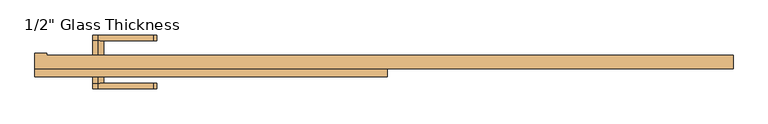
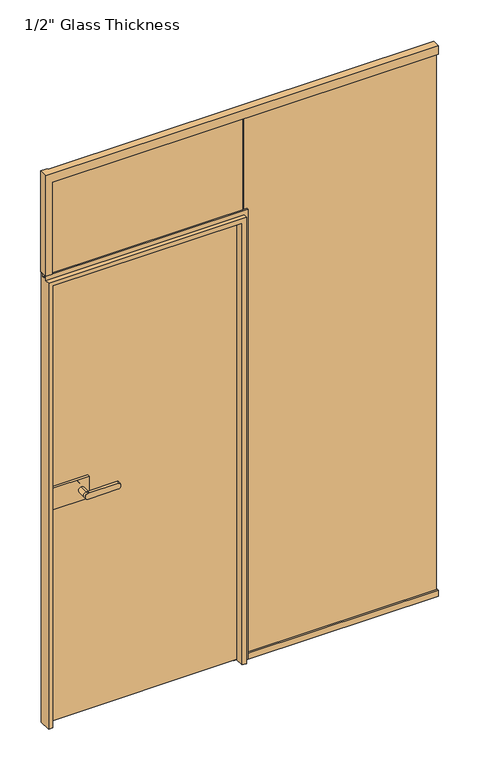
"""IFC4 building model written with IfcOpenShell, lengths in millimetres: door geometry."""

import ifcopenshell
import ifcopenshell.guid

model = None  # the IFC model being written
_history = None  # IfcOwnerHistory: only IFC2X3 demands one
_inside = {}  # id of a spatial element -> (the spatial element, [elements in it])
_under = {}  # id of a project, library or spatial element -> (it, [spatial elements below it])
_declared = {}  # id of a project -> (the project, [libraries it declares])
_typed = {}  # id of a type object -> (the type object, [elements of that type])
_made_of = {}  # id of a material, layer set ... -> (it, [elements and type objects made of it])


def new_model(schema):
    """Start an empty IFC model of exactly this schema.

    Asked for "IFC4X3", IfcOpenShell would pick the latest addendum, in which some entities
    have other attributes; the version numbers below select the first issue.
    IFC2X3 requires an IfcOwnerHistory on every rooted entity: one is made here for all.
    """
    global model, _history
    if schema == "IFC4X3":
        model = ifcopenshell.file(schema_version=(4, 3, 0, 0))
    else:
        model = ifcopenshell.file(schema=schema)
    _inside.clear()
    _under.clear()
    _declared.clear()
    _typed.clear()
    _made_of.clear()
    _history = None
    if model.schema == "IFC2X3":
        org = make("IfcOrganization", Name="unknown")
        user = make(
            "IfcPersonAndOrganization",
            ThePerson=make("IfcPerson", FamilyName="unknown"),
            TheOrganization=org,
        )
        app = make(
            "IfcApplication",
            ApplicationDeveloper=org,
            Version="unknown",
            ApplicationFullName="unknown",
            ApplicationIdentifier="unknown",
        )
        _history = make(
            "IfcOwnerHistory",
            OwningUser=user,
            OwningApplication=app,
            ChangeAction="ADDED",
            CreationDate=0,
        )
    return model


def make(cls, **values):
    """One entity of the class cls with the attributes given. An attribute that is None is left unset."""
    return model.create_entity(
        cls, **{name: value for name, value in values.items() if value is not None}
    )


def rooted(cls, **values):
    """An entity with a GlobalId (a new one), such as an element, a storey or a relation."""
    return make(cls, GlobalId=ifcopenshell.guid.new(), OwnerHistory=_history, **values)


def si_unit(unit_type, name, prefix=None):
    """IfcSIUnit, for example si_unit("LENGTHUNIT", "METRE", prefix="MILLI")."""
    return make("IfcSIUnit", UnitType=unit_type, Prefix=prefix, Name=name)


def assignment(units):
    """IfcUnitAssignment: the units of a project."""
    return None if units is None else make("IfcUnitAssignment", Units=units)


def point(xyz):
    """IfcCartesianPoint."""
    return None if xyz is None else make("IfcCartesianPoint", Coordinates=xyz)


def direction(xyz):
    """IfcDirection."""
    return None if xyz is None else make("IfcDirection", DirectionRatios=xyz)


def frame(location, z_axis=None, x_axis=None):
    """IfcAxis2Placement3D, a coordinate frame: its origin and axes. An axis left out is left unset."""
    return make(
        "IfcAxis2Placement3D",
        Location=point(location),
        Axis=direction(z_axis),
        RefDirection=direction(x_axis),
    )


def frame_2d(location, x_axis=None):
    """IfcAxis2Placement2D, a coordinate frame in the plane: its origin and x axis."""
    return make(
        "IfcAxis2Placement2D", Location=point(location), RefDirection=direction(x_axis)
    )


def origin():
    """The frame at (0, 0, 0) with its axes left unset."""
    return frame((0.0, 0.0, 0.0))


def place(relative_to, where):
    """IfcLocalPlacement: puts the frame where relative to a parent placement (None: the world)."""
    return make(
        "IfcLocalPlacement", PlacementRelTo=relative_to, RelativePlacement=where
    )


def context(
    kind, dimensions, precision=None, world=None, true_north=None, identifier=None
):
    """IfcGeometricRepresentationContext, for example the 3D "Model" context."""
    return make(
        "IfcGeometricRepresentationContext",
        ContextIdentifier=identifier,
        ContextType=kind,
        CoordinateSpaceDimension=dimensions,
        Precision=precision,
        WorldCoordinateSystem=world,
        TrueNorth=true_north,
    )


def project(units=None, contexts=None):
    """IfcProject with its units and contexts."""
    return rooted(
        "IfcProject",
        Name="project",
        RepresentationContexts=contexts,
        UnitsInContext=assignment(units),
    )


def spatial(cls, under=None, at=None, **own):
    """A site, building, storey or space (cls), placed at a placement, below another one or the project."""
    s = rooted(cls, ObjectPlacement=at, **own)
    if under is not None:
        _under.setdefault(under.id(), (under, []))[1].append(s)
    return s


def polyline(points):
    """IfcPolyline through the points."""
    return make("IfcPolyline", Points=[point(p) for p in points])


def circle_curve(where, radius):
    """IfcCircle in the frame where."""
    return make("IfcCircle", Position=where, Radius=radius)


def ellipse_curve(where, semi_axis1, semi_axis2):
    """IfcEllipse in the frame where."""
    return make(
        "IfcEllipse", Position=where, SemiAxis1=semi_axis1, SemiAxis2=semi_axis2
    )


def trimmed(basis, trim1, trim2, sense, master):
    """IfcTrimmedCurve: the piece of a basis curve between two trims."""
    return make(
        "IfcTrimmedCurve",
        BasisCurve=basis,
        Trim1=trim1,
        Trim2=trim2,
        SenseAgreement=sense,
        MasterRepresentation=master,
    )


def segment(curve, same_sense, transition):
    """IfcCompositeCurveSegment."""
    return make(
        "IfcCompositeCurveSegment",
        Transition=transition,
        SameSense=same_sense,
        ParentCurve=curve,
    )


def composite_curve(segments, self_intersect=None):
    """IfcCompositeCurve: segments joined end to end."""
    return make("IfcCompositeCurve", Segments=segments, SelfIntersect=self_intersect)


def outline(outer, holes=None, kind="AREA"):
    """IfcArbitraryClosedProfileDef: a profile drawn as a closed curve; with holes, ...WithVoids."""
    if holes is None:
        return make("IfcArbitraryClosedProfileDef", ProfileType=kind, OuterCurve=outer)
    return make(
        "IfcArbitraryProfileDefWithVoids",
        ProfileType=kind,
        OuterCurve=outer,
        InnerCurves=holes,
    )


def extrude(swept, where, along, depth):
    """IfcExtrudedAreaSolid: the profile swept, set in the frame where, extruded along a direction by depth."""
    return make(
        "IfcExtrudedAreaSolid",
        SweptArea=swept,
        Position=where,
        ExtrudedDirection=direction(along),
        Depth=depth,
    )


def faces_of(points, faces, orient=None, outer=None):
    """IfcFace entities. A face is a list of loops; a loop is a list of indices into points, from 0.

    orient and outer hold one flag for each loop. By default every Orientation is true, the
    first loop of a face is its IfcFaceOuterBound and the others are IfcFaceBound.
    """
    made = []
    for i, loops in enumerate(faces):
        bounds = []
        for j, loop in enumerate(loops):
            is_outer = j == 0 if outer is None else outer[i][j]
            bounds.append(
                make(
                    "IfcFaceOuterBound" if is_outer else "IfcFaceBound",
                    Bound=make("IfcPolyLoop", Polygon=[points[k] for k in loop]),
                    Orientation=True if orient is None else orient[i][j],
                )
            )
        made.append(make("IfcFace", Bounds=bounds))
    return made


def faceted_brep(points, faces, orient=None, outer=None, voids=None):
    """IfcFacetedBrep: a solid bounded by flat faces; with voids (closed shells), ...WithVoids."""
    shared = [point(p) for p in points]
    hull = make("IfcClosedShell", CfsFaces=faces_of(shared, faces, orient, outer))
    if voids is None:
        return make("IfcFacetedBrep", Outer=hull)
    return make(
        "IfcFacetedBrepWithVoids",
        Outer=hull,
        Voids=[
            make(cls, CfsFaces=faces_of(shared, fs, o, b)) for cls, fs, o, b in voids
        ],
    )


def shape(context_of_items, identifier, shape_type, items):
    """IfcShapeRepresentation: the items that make up one representation, for example the "Body"."""
    return make(
        "IfcShapeRepresentation",
        ContextOfItems=context_of_items,
        RepresentationIdentifier=identifier,
        RepresentationType=shape_type,
        Items=items,
    )


def source(mapping_origin, context_of_items, identifier, shape_type, items):
    """IfcRepresentationMap: a shape defined once, which mapped items show again and again."""
    return make(
        "IfcRepresentationMap",
        MappingOrigin=mapping_origin,
        MappedRepresentation=shape(context_of_items, identifier, shape_type, items),
    )


def transform(
    local_origin,
    x_axis=None,
    y_axis=None,
    z_axis=None,
    scale=None,
    scale2=None,
    scale3=None,
    uniform=True,
):
    """IfcCartesianTransformationOperator3D, or its non-uniform kind. x_axis, y_axis, z_axis: its Axis1, 2, 3."""
    if uniform:
        return make(
            "IfcCartesianTransformationOperator3D",
            Axis1=direction(x_axis),
            Axis2=direction(y_axis),
            LocalOrigin=point(local_origin),
            Scale=scale,
            Axis3=direction(z_axis),
        )
    return make(
        "IfcCartesianTransformationOperator3DnonUniform",
        Axis1=direction(x_axis),
        Axis2=direction(y_axis),
        LocalOrigin=point(local_origin),
        Scale=scale,
        Axis3=direction(z_axis),
        Scale2=scale2,
        Scale3=scale3,
    )


def mapped(mapping_source, mapping_target):
    """IfcMappedItem: shows the shape of a source again, moved by a transform."""
    return make(
        "IfcMappedItem", MappingSource=mapping_source, MappingTarget=mapping_target
    )


def made_of(thing, what):
    """Note that an element or type object is made of a material, layer set ...; save() writes the relation."""
    if what is not None:
        _made_of.setdefault(what.id(), (what, []))[1].append(thing)
    return thing


def element(
    cls,
    number,
    at=None,
    inside=None,
    cuts=None,
    type_object=None,
    material=None,
    context=None,
    identifier="Body",
    shape_type=None,
    held_by="IfcProductDefinitionShape",
    body=None,
    shapes=None,
    **own,
):
    """One element of the class cls, such as IfcWall. Its Tag is "e" and its number.

    at: its placement. inside: the storey or other place that contains it. cuts: it is an
    opening in that element (IfcRelVoidsElement). A single representation is given by context,
    identifier, shape_type and body (its items); several are given by shapes. held_by: the class
    of the entity that holds the representations. save() writes the other relations.
    """
    e = rooted(cls, Tag="e%d" % number, ObjectPlacement=at, **own)
    if body is not None:
        shapes = [shape(context, identifier, shape_type, body)]
    if shapes is not None:
        e.Representation = make(held_by, Representations=shapes)
    if inside is not None:
        _inside.setdefault(inside.id(), (inside, []))[1].append(e)
    if cuts is not None:
        rooted(
            "IfcRelVoidsElement", RelatingBuildingElement=cuts, RelatedOpeningElement=e
        )
    if type_object is not None:
        _typed.setdefault(type_object.id(), (type_object, []))[1].append(e)
    return made_of(e, material)


def aggregate(whole, parts):
    """IfcRelAggregates: a whole, such as a stair, and the parts it consists of."""
    return rooted("IfcRelAggregates", RelatingObject=whole, RelatedObjects=parts)


def save(model, path):
    """Write the relations noted so far, then the file.

    IfcRelAggregates (storeys below a building ...), IfcRelContainedInSpatialStructure (elements
    in a storey), IfcRelDefinesByType, IfcRelAssociatesMaterial and IfcRelDeclares: one each for
    every whole, place, type object, material and project.
    """
    for whole, parts in _under.values():
        aggregate(whole, parts)
    for where, things in _inside.values():
        rooted(
            "IfcRelContainedInSpatialStructure",
            RelatedElements=things,
            RelatingStructure=where,
        )
    for kind, things in _typed.values():
        rooted("IfcRelDefinesByType", RelatedObjects=things, RelatingType=kind)
    for what, things in _made_of.values():
        rooted("IfcRelAssociatesMaterial", RelatedObjects=things, RelatingMaterial=what)
    for by, libraries in _declared.values():
        rooted("IfcRelDeclares", RelatingContext=by, RelatedDefinitions=libraries)
    model.write(path)


def plane_surface(at):
    """IfcPlane: the flat surface through the origin of the frame at, square to its z axis."""
    return make("IfcPlane", Position=at)


def cylinder_surface(at, radius):
    """IfcCylindricalSurface: all points at the distance radius from the z axis of the frame at."""
    return make("IfcCylindricalSurface", Position=at, Radius=radius)


def extruded_surface(curve, direction_of_extrusion, depth):
    """IfcSurfaceOfLinearExtrusion: the curve pushed along a direction by depth."""
    return make(
        "IfcSurfaceOfLinearExtrusion",
        SweptCurve=make("IfcArbitraryOpenProfileDef", ProfileType="CURVE", Curve=curve),
        ExtrudedDirection=direction(direction_of_extrusion),
        Depth=depth,
    )


def advanced_brep(points, edges, surfaces, faces):
    """IfcAdvancedBrep: a solid bounded by faces that lie on surfaces and meet in shared edges.

    An edge is (start, end): straight between two places in points (the first is 0);
    or (start, end, curve); or (start, end, curve, False) where it runs against its curve.
    A face is (place in surfaces, loops), or (place, loops, False) where it looks against
    its surface's normal. A loop lists edges by number (the first is 1), with a minus sign
    where the edge is run from its end to its start. The first loop is the outer one.
    """
    corners = [point(p) for p in points]
    vertices = [make("IfcVertexPoint", VertexGeometry=c) for c in corners]
    made = []
    for start, end, *more in edges:
        made.append(
            make(
                "IfcEdgeCurve",
                EdgeStart=vertices[start],
                EdgeEnd=vertices[end],
                EdgeGeometry=more[0] if more else make("IfcPolyline", Points=[corners[start], corners[end]]),
                SameSense=more[1] if len(more) > 1 else True,
            )
        )
    hull = []
    for where, loops, *sense in faces:
        bounds = []
        for j, loop in enumerate(loops):
            ring = [make("IfcOrientedEdge", EdgeElement=made[abs(k) - 1], Orientation=k > 0) for k in loop]
            bounds.append(
                make(
                    "IfcFaceOuterBound" if j == 0 else "IfcFaceBound",
                    Bound=make("IfcEdgeLoop", EdgeList=ring),
                    Orientation=True,
                )
            )
        hull.append(make("IfcAdvancedFace", Bounds=bounds, FaceSurface=surfaces[where], SameSense=sense[0] if sense else True))
    return make("IfcAdvancedBrep", Outer=make("IfcClosedShell", CfsFaces=hull))


def door_d5a4fd03(model_context):
    return source(origin(), model_context, "Body", "SolidModel", [
        extrude(outline(composite_curve([segment(trimmed(circle_curve(frame_2d((940.0, -633.0)), 11.9886308), [point((951.9886308, -633.0))], [point((928.0113692, -633.0))], False, "CARTESIAN"), True, "CONTINUOUS"), segment(trimmed(circle_curve(frame_2d((940.0, -633.0)), 11.9886308), [point((928.0113692, -633.0))], [point((951.9886308, -633.0))], False, "CARTESIAN"), True, "CONTINUOUS")], self_intersect=False)), frame((0.0, 21.06, 0.0), z_axis=(0.0, 1.0, 0.0), x_axis=(0.0, 0.0, 1.0)), (0.0, 0.0, 1.0), 33.5),
        advanced_brep(
        [(-633.0, 54.56, 951.9886308), (-633.0, 54.56, 928.0113692), (-511.3382074, 54.56, 928.0113692), (-511.3382074, 54.56, 951.9886308), (-633.0, 67.06, 951.9886308), (-511.3382074, 67.06, 951.9886308), (-511.3382074, 67.06, 928.0113692), (-633.0, 67.06, 928.0113692)],
        [
            (0, 1, circle_curve(frame((-633.0, 54.56, 940.0), z_axis=(0.0, -1.0, 0.0), x_axis=(0.0, 0.0, -1.0)), 11.9886308)),
            (1, 2),
            (2, 3, ellipse_curve(frame((-511.3382074, 54.56, 940.0), z_axis=(0.0, -1.0, 0.0), x_axis=(0.0, 0.0, 1.0)), 11.9886308, 7.9050795)),
            (3, 0),
            (4, 5),
            (5, 6, ellipse_curve(frame((-511.3382074, 67.06, 940.0), z_axis=(0.0, 1.0, 0.0), x_axis=(0.0, 0.0, 1.0)), 11.9886308, 7.9050795)),
            (6, 7),
            (7, 4, circle_curve(frame((-633.0, 67.06, 940.0), z_axis=(0.0, 1.0, 0.0), x_axis=(0.0, 0.0, -1.0)), 11.9886308)),
            (3, 5),
            (4, 0),
            (2, 6),
            (1, 7),
        ],
        [
            plane_surface(frame((-511.3382074, 54.56, 951.9886308), z_axis=(0.0, -1.0, 0.0), x_axis=(1.0, 0.0, 0.0))),
            plane_surface(frame((-511.3382074, 67.06, 951.9886308), z_axis=(0.0, 1.0, 0.0), x_axis=(-1.0, 0.0, 0.0))),
            plane_surface(frame((-633.0, 54.56, 951.9886308), z_axis=(0.0, 0.0, 1.0), x_axis=(0.0, 1.0, 0.0))),
            extruded_surface(trimmed(ellipse_curve(frame((-511.3382074, 67.06, 940.0), z_axis=(0.0, 1.0, 0.0), x_axis=(0.0, 0.0, 1.0)), 11.9886308, 7.9050795), [point((-511.3382074, 67.06, 951.9886308))], [point((-511.3382074, 67.06, 928.0113692))], True, "CARTESIAN"), (0.0, 12.5, 0.0), 12.5),
            plane_surface(frame((-511.3382074, 54.56, 928.0113692), z_axis=(0.0, 0.0, -1.0), x_axis=(0.0, 1.0, 0.0))),
            cylinder_surface(frame((-633.0, 67.06, 940.0), z_axis=(0.0, -1.0, 0.0), x_axis=(0.0, 0.0, -1.0)), 11.9886308),
        ],
        [
            (0, [[1, 2, 3, 4]]),
            (1, [[5, 6, 7, 8]]),
            (2, [[9, -5, 10, -4]]),
            (3, [[11, -6, -9, -3]]),
            (4, [[12, -7, -11, -2]]),
            (5, [[-10, -8, -12, -1]]),
        ],
    ),
        extrude(outline(polyline([(-737.0, 11.06), (-737.0, 21.06), (-603.0, 21.06), (-603.0, 11.06), (-737.0, 11.06)])), frame((0.0, 0.0, 895.0), z_axis=(0.0, 0.0, 1.0), x_axis=(1.0, 0.0, 0.0)), (0.0, 0.0, 1.0), 90.0),
        extrude(outline(polyline([(-753.0, -6.94), (-753.0, 3.06), (-603.0, 3.06), (-603.0, -6.94), (-753.0, -6.94)])), frame((0.0, 0.0, 895.0), z_axis=(0.0, 0.0, 1.0), x_axis=(1.0, 0.0, 0.0)), (0.0, 0.0, 1.0), 90.0),
        advanced_brep(
        [(-633.0, -6.94, 951.9886308), (-633.0, -6.94, 928.0113692), (-633.0, -40.4398825, 951.9886308), (-633.0, -40.4398825, 928.0113692), (-633.0, -52.9399695, 951.9886308), (-633.0, -52.9399695, 928.0113692), (-511.3382074, -52.9399695, 928.0113692), (-511.3382074, -52.9399695, 951.9886308), (-511.3382074, -40.4398825, 951.9886308), (-511.3382074, -40.4398825, 928.0113692)],
        [
            (0, 1, circle_curve(frame((-633.0, -6.94, 940.0), z_axis=(0.0, 1.0, 0.0), x_axis=(0.0, 0.0, -1.0)), 11.9886308)),
            (1, 0, circle_curve(frame((-633.0, -6.94, 940.0), z_axis=(0.0, 1.0, 0.0), x_axis=(0.0, 0.0, -1.0)), 11.9886308)),
            (0, 2),
            (2, 3, circle_curve(frame((-633.0, -40.4398825, 940.0), z_axis=(0.0, 1.0, 0.0), x_axis=(0.0, 0.0, -1.0)), 11.9886308)),
            (3, 1),
            (3, 2, circle_curve(frame((-633.0, -40.4398825, 940.0), z_axis=(0.0, 1.0, 0.0), x_axis=(0.0, 0.0, -1.0)), 11.9886308)),
            (4, 5, circle_curve(frame((-633.0, -52.9399695, 940.0), z_axis=(0.0, -1.0, 0.0), x_axis=(0.0, 0.0, -1.0)), 11.9886308)),
            (5, 6),
            (6, 7, ellipse_curve(frame((-511.3382074, -52.9399695, 940.0), z_axis=(0.0, -1.0, 0.0), x_axis=(0.0, 0.0, 1.0)), 11.9886308, 7.9050795)),
            (7, 4),
            (2, 8),
            (8, 9, ellipse_curve(frame((-511.3382074, -40.4398825, 940.0), z_axis=(0.0, 1.0, 0.0), x_axis=(0.0, 0.0, 1.0)), 11.9886308, 7.9050795)),
            (9, 3),
            (7, 8),
            (2, 4),
            (6, 9),
            (5, 3),
        ],
        [
            plane_surface(frame((-633.0, -6.94, 928.0113692), z_axis=(0.0, 1.0, 0.0), x_axis=(1.0, 0.0, 0.0))),
            cylinder_surface(frame((-633.0, -6.94, 940.0), z_axis=(0.0, -1.0, 0.0), x_axis=(0.0, 0.0, -1.0)), 11.9886308),
            plane_surface(frame((-511.3382074, -52.9399695, 951.9886308), z_axis=(0.0, -1.0, 0.0), x_axis=(1.0, 0.0, 0.0))),
            plane_surface(frame((-511.3382074, -40.4398825, 951.9886308), z_axis=(0.0, 1.0, 0.0), x_axis=(-1.0, 0.0, 0.0))),
            plane_surface(frame((-633.0, -52.9399695, 951.9886308), z_axis=(0.0, 0.0, 1.0), x_axis=(0.0, 1.0, 0.0))),
            extruded_surface(trimmed(ellipse_curve(frame((-511.3382074, -40.4398825, 940.0), z_axis=(0.0, 1.0, 0.0), x_axis=(0.0, 0.0, 1.0)), 11.9886308, 7.9050795), [point((-511.3382074, -40.4398825, 951.9886308))], [point((-511.3382074, -40.4398825, 928.0113692))], True, "CARTESIAN"), (0.0, 12.500087000000004, 0.0), 12.500087000000004),
            plane_surface(frame((-511.3382074, -52.9399695, 928.0113692), z_axis=(0.0, 0.0, -1.0), x_axis=(0.0, 1.0, 0.0))),
            cylinder_surface(frame((-633.0, -40.4398825, 940.0), z_axis=(0.0, -1.0, 0.0), x_axis=(0.0, 0.0, -1.0)), 11.9886308),
        ],
        [
            (0, [[1, 2]]),
            (1, [[3, 4, 5, -1]]),
            (1, [[-5, 6, -3, -2]]),
            (2, [[7, 8, 9, 10]]),
            (3, [[-4, 11, 12, 13]]),
            (4, [[14, -11, 15, -10]]),
            (5, [[16, -12, -14, -9]]),
            (6, [[17, -13, -16, -8]]),
            (7, [[-15, -6, -17, -7]]),
        ],
    ),
        extrude(outline(polyline([(8.0, 0.0), (-760.0, 0.0), (-760.0, 12.0), (8.0, 12.0), (8.0, 0.0)])), frame((0.0, 0.0, 1867.2), z_axis=(0.0, 0.0, 1.0), x_axis=(1.0, 0.0, 0.0)), (0.0, 0.0, 1.0), 412.8),
        faceted_brep([(778.0, 22.06, 2300.0), (778.0, -7.94, 2300.0), (778.0, -7.94, 2265.0), (778.0, 0.0, 2265.0), (778.0, 0.0, 2280.0), (778.0, 12.0, 2280.0), (778.0, 12.0, 2265.0), (778.0, 22.06, 2265.0), (-748.0, 12.0, 2265.0), (-748.0, 22.06, 2265.0), (-762.0, 0.0, 2280.0), (-762.0, 12.0, 2280.0), (-748.0, -7.94, 2265.0), (-748.0, 0.0, 2265.0), (-774.0, -7.94, 1880.0), (-774.0, -7.94, 2300.0), (-774.0, 26.06, 2300.0), (-774.0, 26.06, 1880.0), (-748.0, 22.06, 2300.0), (-762.0, 12.0, 1880.0), (-748.0, 12.0, 1880.0), (-748.0, 0.0, 1880.0), (-762.0, 0.0, 1880.0), (-748.0, -7.94, 1880.0), (-748.0, 26.06, 2300.0), (-748.0, 26.06, 1880.0)], [[[0, 1, 2, 3, 4, 5, 6, 7]], [[6, 8, 9, 7]], [[10, 11, 5, 4]], [[2, 12, 13, 3]], [[14, 15, 16, 17]], [[7, 9, 18, 0]], [[5, 11, 19, 20, 8, 6]], [[3, 13, 21, 22, 10, 4]], [[1, 15, 14, 23, 12, 2]], [[0, 18, 24, 16, 15, 1]], [[14, 17, 25, 20, 19, 22, 21, 23]], [[24, 25, 17, 16]], [[25, 24, 18, 9, 8, 20]], [[11, 10, 22, 19]], [[21, 13, 12, 23]]]),
        faceted_brep([(-744.0, 22.06, 0.0), (-744.0, 11.06, 0.0), (-756.9, 11.06, 0.0), (-756.9, -25.94, 0.0), (-774.0, -25.94, 0.0), (-774.0, 22.06, 0.0), (-744.0, 22.06, 1833.0), (-744.0, 11.06, 1833.0), (-756.9, 11.06, 1845.9), (-756.9, -25.94, 1845.9), (-774.0, -25.94, 1863.0), (-774.0, -7.94, 1863.0), (-774.0, -7.94, 1880.0), (-774.0, 0.0, 1880.0), (-774.0, 0.0, 1866.0), (-774.0, 12.0, 1866.0), (-774.0, 12.0, 1880.0), (-774.0, 22.06, 1880.0), (-8.1, 11.06, 0.0), (-21.0, 11.06, 0.0), (-21.0, 22.06, 0.0), (26.0, 22.06, 0.0), (26.0, 12.0, 0.0), (12.0, 12.0, 0.0), (12.0, 0.0, 0.0), (26.0, 0.0, 0.0), (26.0, -7.94, 0.0), (9.0, -7.94, 0.0), (9.0, -25.94, 0.0), (-8.1, -25.94, 0.0), (-21.0, 11.06, 1833.0), (-21.0, 22.06, 1833.0), (26.0, 22.06, 1880.0), (26.0, 12.0, 1880.0), (12.0, 12.0, 1866.0), (12.0, 0.0, 1866.0), (26.0, 0.0, 1880.0), (26.0, -7.94, 1880.0), (9.0, -7.94, 1863.0), (9.0, -25.94, 1863.0), (-8.1, -25.94, 1845.9), (-8.1, 11.06, 1845.9)], [[[0, 1, 2, 3, 4, 5]], [[0, 6, 7, 1]], [[8, 9, 3, 2]], [[4, 10, 11, 12, 13, 14, 15, 16, 17, 5]], [[18, 19, 20, 21, 22, 23, 24, 25, 26, 27, 28, 29]], [[19, 30, 31, 20]], [[21, 32, 33, 22]], [[23, 34, 35, 24]], [[25, 36, 37, 26]], [[27, 38, 39, 28]], [[29, 40, 41, 18]], [[1, 7, 30, 19, 18, 41, 8, 2]], [[3, 9, 40, 29, 28, 39, 10, 4]], [[17, 32, 21, 20, 31, 6, 0, 5]], [[30, 7, 6, 31]], [[16, 33, 32, 17]], [[15, 34, 23, 22, 33, 16]], [[14, 35, 34, 15]], [[13, 36, 25, 24, 35, 14]], [[12, 37, 36, 13]], [[11, 38, 27, 26, 37, 12]], [[10, 39, 38, 11]], [[40, 9, 8, 41]]]),
        extrude(outline(polyline([(22.06, 0.0), (-7.94, 0.0), (-7.94, 26.0), (0.0, 26.0), (0.0, 13.0), (12.0, 13.0), (12.0, 26.0), (22.06, 26.0), (22.06, 0.0)])), frame((26.0, 0.0, 0.0), z_axis=(1.0, 0.0, 0.0), x_axis=(0.0, 1.0, 0.0)), (0.0, 0.0, 1.0), 752.0),
        extrude(outline(polyline([(774.0, 0.0), (12.0, 0.0), (12.0, 12.0), (774.0, 12.0), (774.0, 0.0)])), frame((0.0, 0.0, 13.0), z_axis=(0.0, 0.0, 1.0), x_axis=(1.0, 0.0, 0.0)), (0.0, 0.0, 1.0), 2267.0),
        extrude(outline(polyline([(-13.0, 3.06), (-753.0, 3.06), (-753.0, 11.06), (-13.0, 11.06), (-13.0, 3.06)])), frame((0.0, 0.0, 7.0), z_axis=(0.0, 0.0, 1.0), x_axis=(1.0, 0.0, 0.0)), (0.0, 0.0, 1.0), 1835.0),
    ])


if __name__ == "__main__":
    model = new_model("IFC4")
    model_context = context("Model", 3, world=origin())
    ifc_project = project(units=[si_unit("LENGTHUNIT", "METRE", prefix="MILLI")], contexts=[model_context])
    site = spatial("IfcSite", under=ifc_project)
    building = spatial("IfcBuilding", under=site)
    placement = place(None, origin())
    door_shape = door_d5a4fd03(model_context)
    element("IfcDoor", 1, ObjectType="1/2\" Glass Thickness", at=placement, inside=building, context=model_context, shape_type="MappedRepresentation", body=[
        mapped(door_shape, transform((0.0, 0.0, 0.0), x_axis=(1.0, 0.0, 0.0), y_axis=(0.0, 1.0, 0.0), z_axis=(0.0, 0.0, 1.0))),
    ])
    save(model, "model.ifc")
